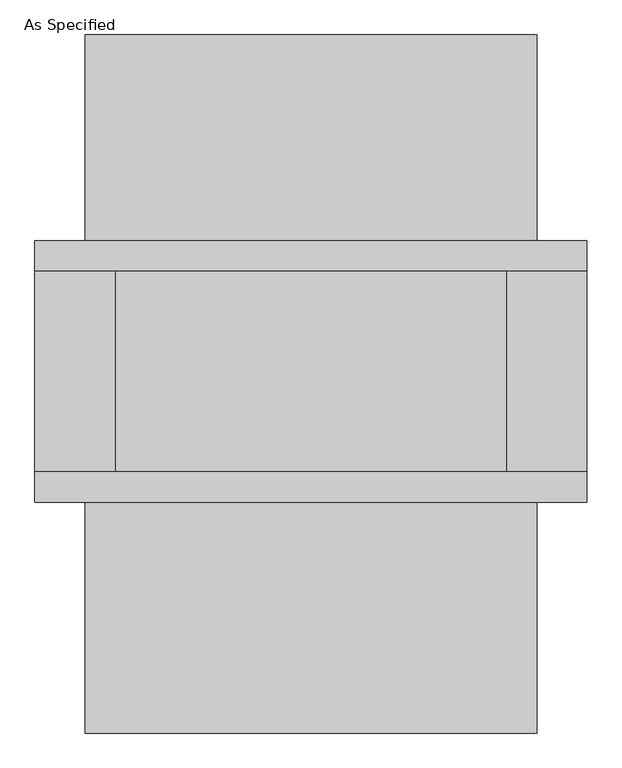
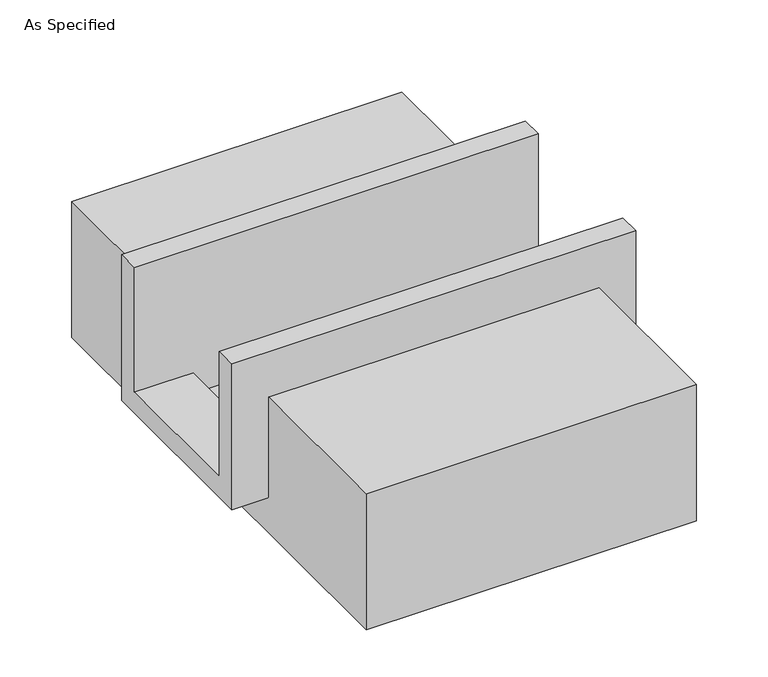
"""IFC4 building model written with IfcOpenShell, lengths in millimetres: proxy geometry, As Specified."""

from ifc_helpers import new_model, si_unit, frame, origin, place, context, project, spatial, polyline, outline, extrude, faceted_brep, source, transform, mapped, element, save


def as_specified_aecfd0e4(model_context):
    return source(origin(), model_context, "Body", "SolidModel", [
        faceted_brep([(-698.5, 285.75, 139.7), (-698.5, 361.95, 139.7), (-698.5, 361.95, -393.7), (-698.5, -298.45, -393.7), (-698.5, -298.45, 139.7), (-698.5, -222.25, 139.7), (-698.5, -222.25, -317.5), (-698.5, 285.75, -317.5), (698.5, 285.75, 139.7), (698.5, 285.75, -317.5), (698.5, -222.25, -317.5), (698.5, -222.25, 139.7), (698.5, -298.45, 139.7), (698.5, -298.45, -393.7), (698.5, 361.95, -393.7), (698.5, 361.95, 139.7), (495.3, -222.25, -393.7), (495.3, 285.75, -393.7), (-495.3, 285.75, -393.7), (-495.3, -222.25, -393.7), (495.3, -222.25, -317.5), (-495.3, -222.25, -317.5), (-495.3, 285.75, -317.5), (495.3, 285.75, -317.5)], [[[0, 1, 2, 3, 4, 5, 6, 7]], [[8, 9, 10, 11, 12, 13, 14, 15]], [[1, 0, 8, 15]], [[2, 1, 15, 14]], [[3, 2, 14, 13], [16, 17, 18, 19]], [[4, 3, 13, 12]], [[5, 4, 12, 11]], [[6, 5, 11, 10, 20, 16, 19, 21]], [[7, 6, 21, 22]], [[10, 9, 23, 20]], [[0, 7, 22, 18, 17, 23, 9, 8]], [[16, 20, 23, 17]], [[21, 19, 18, 22]]]),
        extrude(outline(polyline([(882.65, -25.4), (882.65, -523.9742188), (-882.65, -523.9742188), (-882.65, -25.4), (-298.45, -25.4), (-298.45, -393.7), (361.95, -393.7), (361.95, -25.4), (882.65, -25.4)])), frame((-571.5, 0.0, 0.0), z_axis=(1.0, 0.0, 0.0), x_axis=(0.0, 1.0, 0.0)), (0.0, 0.0, 1.0), 1143.0),
    ])


if __name__ == "__main__":
    model = new_model("IFC4")
    model_context = context("Model", 3, world=origin())
    ifc_project = project(units=[si_unit("LENGTHUNIT", "METRE", prefix="MILLI")], contexts=[model_context])
    site = spatial("IfcSite", under=ifc_project)
    building = spatial("IfcBuilding", under=site)
    placement = place(None, origin())
    as_specified_shape = as_specified_aecfd0e4(model_context)
    element("IfcBuildingElementProxy", 1, Name="As Specified", ObjectType="As Specified", at=placement, inside=building, context=model_context, shape_type="MappedRepresentation", body=[
        mapped(as_specified_shape, transform((0.0, 0.0, 0.0), x_axis=(1.0, 0.0, 0.0), y_axis=(0.0, 1.0, 0.0), z_axis=(0.0, 0.0, 1.0))),
    ])
    save(model, "model.ifc")
